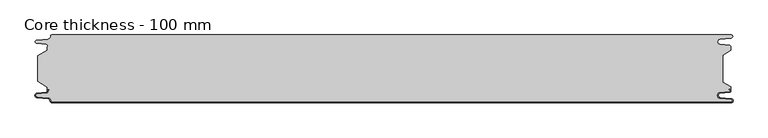
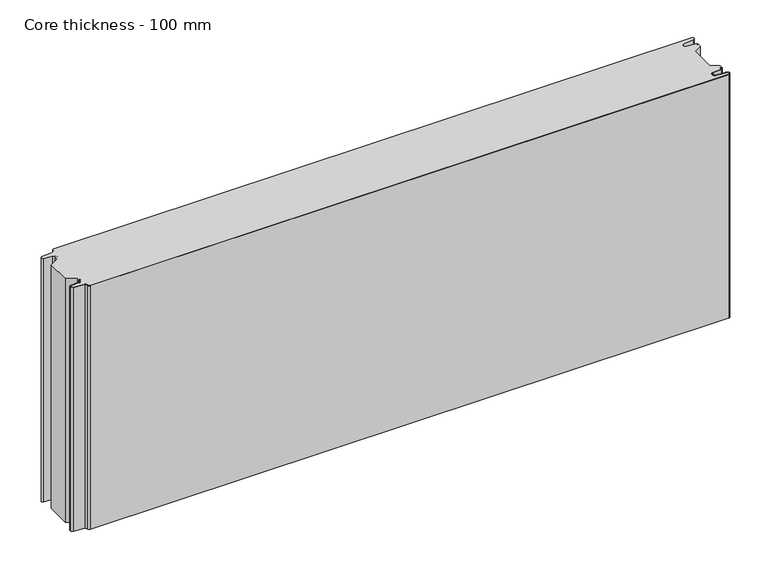
"""IFC4 building model written with IfcOpenShell, lengths in millimetres: plate geometry, Core thickness - 100 mm."""

import ifcopenshell
import ifcopenshell.guid

model = None  # the IFC model being written
_history = None  # IfcOwnerHistory: only IFC2X3 demands one
_inside = {}  # id of a spatial element -> (the spatial element, [elements in it])
_under = {}  # id of a project, library or spatial element -> (it, [spatial elements below it])
_declared = {}  # id of a project -> (the project, [libraries it declares])
_typed = {}  # id of a type object -> (the type object, [elements of that type])
_made_of = {}  # id of a material, layer set ... -> (it, [elements and type objects made of it])


def new_model(schema):
    """Start an empty IFC model of exactly this schema.

    Asked for "IFC4X3", IfcOpenShell would pick the latest addendum, in which some entities
    have other attributes; the version numbers below select the first issue.
    IFC2X3 requires an IfcOwnerHistory on every rooted entity: one is made here for all.
    """
    global model, _history
    if schema == "IFC4X3":
        model = ifcopenshell.file(schema_version=(4, 3, 0, 0))
    else:
        model = ifcopenshell.file(schema=schema)
    _inside.clear()
    _under.clear()
    _declared.clear()
    _typed.clear()
    _made_of.clear()
    _history = None
    if model.schema == "IFC2X3":
        org = make("IfcOrganization", Name="unknown")
        user = make(
            "IfcPersonAndOrganization",
            ThePerson=make("IfcPerson", FamilyName="unknown"),
            TheOrganization=org,
        )
        app = make(
            "IfcApplication",
            ApplicationDeveloper=org,
            Version="unknown",
            ApplicationFullName="unknown",
            ApplicationIdentifier="unknown",
        )
        _history = make(
            "IfcOwnerHistory",
            OwningUser=user,
            OwningApplication=app,
            ChangeAction="ADDED",
            CreationDate=0,
        )
    return model


def make(cls, **values):
    """One entity of the class cls with the attributes given. An attribute that is None is left unset."""
    return model.create_entity(
        cls, **{name: value for name, value in values.items() if value is not None}
    )


def rooted(cls, **values):
    """An entity with a GlobalId (a new one), such as an element, a storey or a relation."""
    return make(cls, GlobalId=ifcopenshell.guid.new(), OwnerHistory=_history, **values)


def si_unit(unit_type, name, prefix=None):
    """IfcSIUnit, for example si_unit("LENGTHUNIT", "METRE", prefix="MILLI")."""
    return make("IfcSIUnit", UnitType=unit_type, Prefix=prefix, Name=name)


def assignment(units):
    """IfcUnitAssignment: the units of a project."""
    return None if units is None else make("IfcUnitAssignment", Units=units)


def point(xyz):
    """IfcCartesianPoint."""
    return None if xyz is None else make("IfcCartesianPoint", Coordinates=xyz)


def direction(xyz):
    """IfcDirection."""
    return None if xyz is None else make("IfcDirection", DirectionRatios=xyz)


def frame(location, z_axis=None, x_axis=None):
    """IfcAxis2Placement3D, a coordinate frame: its origin and axes. An axis left out is left unset."""
    return make(
        "IfcAxis2Placement3D",
        Location=point(location),
        Axis=direction(z_axis),
        RefDirection=direction(x_axis),
    )


def origin():
    """The frame at (0, 0, 0) with its axes left unset."""
    return frame((0.0, 0.0, 0.0))


def place(relative_to, where):
    """IfcLocalPlacement: puts the frame where relative to a parent placement (None: the world)."""
    return make(
        "IfcLocalPlacement", PlacementRelTo=relative_to, RelativePlacement=where
    )


def context(
    kind, dimensions, precision=None, world=None, true_north=None, identifier=None
):
    """IfcGeometricRepresentationContext, for example the 3D "Model" context."""
    return make(
        "IfcGeometricRepresentationContext",
        ContextIdentifier=identifier,
        ContextType=kind,
        CoordinateSpaceDimension=dimensions,
        Precision=precision,
        WorldCoordinateSystem=world,
        TrueNorth=true_north,
    )


def project(units=None, contexts=None):
    """IfcProject with its units and contexts."""
    return rooted(
        "IfcProject",
        Name="project",
        RepresentationContexts=contexts,
        UnitsInContext=assignment(units),
    )


def spatial(cls, under=None, at=None, **own):
    """A site, building, storey or space (cls), placed at a placement, below another one or the project."""
    s = rooted(cls, ObjectPlacement=at, **own)
    if under is not None:
        _under.setdefault(under.id(), (under, []))[1].append(s)
    return s


def polyline(points):
    """IfcPolyline through the points."""
    return make("IfcPolyline", Points=[point(p) for p in points])


def circle_curve(where, radius):
    """IfcCircle in the frame where."""
    return make("IfcCircle", Position=where, Radius=radius)


def shape(context_of_items, identifier, shape_type, items):
    """IfcShapeRepresentation: the items that make up one representation, for example the "Body"."""
    return make(
        "IfcShapeRepresentation",
        ContextOfItems=context_of_items,
        RepresentationIdentifier=identifier,
        RepresentationType=shape_type,
        Items=items,
    )


def source(mapping_origin, context_of_items, identifier, shape_type, items):
    """IfcRepresentationMap: a shape defined once, which mapped items show again and again."""
    return make(
        "IfcRepresentationMap",
        MappingOrigin=mapping_origin,
        MappedRepresentation=shape(context_of_items, identifier, shape_type, items),
    )


def transform(
    local_origin,
    x_axis=None,
    y_axis=None,
    z_axis=None,
    scale=None,
    scale2=None,
    scale3=None,
    uniform=True,
):
    """IfcCartesianTransformationOperator3D, or its non-uniform kind. x_axis, y_axis, z_axis: its Axis1, 2, 3."""
    if uniform:
        return make(
            "IfcCartesianTransformationOperator3D",
            Axis1=direction(x_axis),
            Axis2=direction(y_axis),
            LocalOrigin=point(local_origin),
            Scale=scale,
            Axis3=direction(z_axis),
        )
    return make(
        "IfcCartesianTransformationOperator3DnonUniform",
        Axis1=direction(x_axis),
        Axis2=direction(y_axis),
        LocalOrigin=point(local_origin),
        Scale=scale,
        Axis3=direction(z_axis),
        Scale2=scale2,
        Scale3=scale3,
    )


def mapped(mapping_source, mapping_target):
    """IfcMappedItem: shows the shape of a source again, moved by a transform."""
    return make(
        "IfcMappedItem", MappingSource=mapping_source, MappingTarget=mapping_target
    )


def made_of(thing, what):
    """Note that an element or type object is made of a material, layer set ...; save() writes the relation."""
    if what is not None:
        _made_of.setdefault(what.id(), (what, []))[1].append(thing)
    return thing


def element(
    cls,
    number,
    at=None,
    inside=None,
    cuts=None,
    type_object=None,
    material=None,
    context=None,
    identifier="Body",
    shape_type=None,
    held_by="IfcProductDefinitionShape",
    body=None,
    shapes=None,
    **own,
):
    """One element of the class cls, such as IfcWall. Its Tag is "e" and its number.

    at: its placement. inside: the storey or other place that contains it. cuts: it is an
    opening in that element (IfcRelVoidsElement). A single representation is given by context,
    identifier, shape_type and body (its items); several are given by shapes. held_by: the class
    of the entity that holds the representations. save() writes the other relations.
    """
    e = rooted(cls, Tag="e%d" % number, ObjectPlacement=at, **own)
    if body is not None:
        shapes = [shape(context, identifier, shape_type, body)]
    if shapes is not None:
        e.Representation = make(held_by, Representations=shapes)
    if inside is not None:
        _inside.setdefault(inside.id(), (inside, []))[1].append(e)
    if cuts is not None:
        rooted(
            "IfcRelVoidsElement", RelatingBuildingElement=cuts, RelatedOpeningElement=e
        )
    if type_object is not None:
        _typed.setdefault(type_object.id(), (type_object, []))[1].append(e)
    return made_of(e, material)


def aggregate(whole, parts):
    """IfcRelAggregates: a whole, such as a stair, and the parts it consists of."""
    return rooted("IfcRelAggregates", RelatingObject=whole, RelatedObjects=parts)


def save(model, path):
    """Write the relations noted so far, then the file.

    IfcRelAggregates (storeys below a building ...), IfcRelContainedInSpatialStructure (elements
    in a storey), IfcRelDefinesByType, IfcRelAssociatesMaterial and IfcRelDeclares: one each for
    every whole, place, type object, material and project.
    """
    for whole, parts in _under.values():
        aggregate(whole, parts)
    for where, things in _inside.values():
        rooted(
            "IfcRelContainedInSpatialStructure",
            RelatedElements=things,
            RelatingStructure=where,
        )
    for kind, things in _typed.values():
        rooted("IfcRelDefinesByType", RelatedObjects=things, RelatingType=kind)
    for what, things in _made_of.values():
        rooted("IfcRelAssociatesMaterial", RelatedObjects=things, RelatingMaterial=what)
    for by, libraries in _declared.values():
        rooted("IfcRelDeclares", RelatingContext=by, RelatedDefinitions=libraries)
    model.write(path)


def plane_surface(at):
    """IfcPlane: the flat surface through the origin of the frame at, square to its z axis."""
    return make("IfcPlane", Position=at)


def cylinder_surface(at, radius):
    """IfcCylindricalSurface: all points at the distance radius from the z axis of the frame at."""
    return make("IfcCylindricalSurface", Position=at, Radius=radius)


def revolved_surface(curve, axis_point, axis_direction):
    """IfcSurfaceOfRevolution: the curve turned about the line through axis_point along axis_direction."""
    return make(
        "IfcSurfaceOfRevolution",
        SweptCurve=make("IfcArbitraryOpenProfileDef", ProfileType="CURVE", Curve=curve),
        AxisPosition=make("IfcAxis1Placement", Location=point(axis_point), Axis=direction(axis_direction)),
    )


def advanced_brep(points, edges, surfaces, faces):
    """IfcAdvancedBrep: a solid bounded by faces that lie on surfaces and meet in shared edges.

    An edge is (start, end): straight between two places in points (the first is 0);
    or (start, end, curve); or (start, end, curve, False) where it runs against its curve.
    A face is (place in surfaces, loops), or (place, loops, False) where it looks against
    its surface's normal. A loop lists edges by number (the first is 1), with a minus sign
    where the edge is run from its end to its start. The first loop is the outer one.
    """
    corners = [point(p) for p in points]
    vertices = [make("IfcVertexPoint", VertexGeometry=c) for c in corners]
    made = []
    for start, end, *more in edges:
        made.append(
            make(
                "IfcEdgeCurve",
                EdgeStart=vertices[start],
                EdgeEnd=vertices[end],
                EdgeGeometry=more[0] if more else make("IfcPolyline", Points=[corners[start], corners[end]]),
                SameSense=more[1] if len(more) > 1 else True,
            )
        )
    hull = []
    for where, loops, *sense in faces:
        bounds = []
        for j, loop in enumerate(loops):
            ring = [make("IfcOrientedEdge", EdgeElement=made[abs(k) - 1], Orientation=k > 0) for k in loop]
            bounds.append(
                make(
                    "IfcFaceOuterBound" if j == 0 else "IfcFaceBound",
                    Bound=make("IfcEdgeLoop", EdgeList=ring),
                    Orientation=True,
                )
            )
        hull.append(make("IfcAdvancedFace", Bounds=bounds, FaceSurface=surfaces[where], SameSense=sense[0] if sense else True))
    return make("IfcAdvancedBrep", Outer=make("IfcClosedShell", CfsFaces=hull))


def core_thickness_100_mm_7ea58272(model_context):
    return source(origin(), model_context, "Body", "AdvancedBrep", [
        advanced_brep(
        [(-474.8000005, -99.2, 0.0), (516.0099318, -99.2, 0.0), (516.2343725, -94.6106719, 0.0), (499.7391168, -92.9932979, 0.0), (496.3100818, -89.1776715, 0.0), (499.7391168, -85.3620451, 0.0), (513.8708371, -83.9764178, 0.0), (513.734221, -81.1830995, 0.0), (513.734221, -80.3830995, 0.0), (513.9489034, -84.7725998, 0.0), (499.8171831, -86.1582271, 0.0), (497.1101218, -89.1776715, 0.0), (499.8171831, -92.197116, 0.0), (516.3124388, -93.81449, 0.0), (516.0099318, -99.9996949, 0.0), (-474.8000005, -99.9996949, 0.0), (-477.9923633, -96.5787437, 0.0), (-480.2560432, -93.9171154, 0.0), (-497.2115316, -92.2546153, 0.0), (-500.0, -89.1776715, 0.0), (-497.2115316, -86.1007278, 0.0), (-483.6195786, -84.7680252, 0.0), (-481.9952279, -82.9766159, 0.0), (-481.9952279, -81.8996949, 0.0), (-480.5952279, -80.4996949, 0.0), (-479.4952279, -80.4996949, 0.0), (-479.4952279, -81.2996949, 0.0), (-480.5952279, -81.2996949, 0.0), (-481.1952279, -81.8996949, 0.0), (-481.1952279, -82.9766159, 0.0), (-483.5415123, -85.5642071, 0.0), (-497.1334653, -86.8969097, 0.0), (-499.1999998, -89.1776715, 0.0), (-497.1334653, -91.4584333, 0.0), (-480.1779769, -93.1209335, 0.0), (-477.2078763, -96.6330399, 0.0), (-474.8000005, -99.1996949, 400.0), (-477.1942726, -96.6339815, 400.0), (-480.1779769, -93.1209335, 400.0), (-497.1334653, -91.4584333, 400.0), (-499.1999998, -89.1776715, 400.0), (-497.1334653, -86.8969097, 400.0), (-483.5415123, -85.5642071, 400.0), (-481.1952279, -82.9766159, 400.0), (-481.1952279, -81.8996949, 400.0), (-480.5952279, -81.2996949, 400.0), (-479.4952279, -81.2996949, 400.0), (-479.4952279, -80.4996949, 400.0), (-480.5952279, -80.4996949, 400.0), (-481.9952279, -81.8996949, 400.0), (-481.9952279, -82.9766159, 400.0), (-483.6195786, -84.7680252, 400.0), (-497.2115316, -86.1007278, 400.0), (-500.0, -89.1776715, 400.0), (-497.2115316, -92.2546153, 400.0), (-480.2560432, -93.9171154, 400.0), (-478.005967, -96.5778021, 400.0), (-474.8000005, -99.9996949, 400.0), (516.0099318, -99.9996949, 400.0), (516.3124388, -93.81449, 400.0), (499.8171831, -92.197116, 400.0), (497.1101218, -89.1776715, 400.0), (499.8171831, -86.1582271, 400.0), (513.9489034, -84.7725998, 400.0), (513.734221, -80.3830995, 400.0), (513.734221, -81.1830995, 400.0), (513.8708371, -83.9764178, 400.0), (499.7391168, -85.3620451, 400.0), (496.3100818, -89.1776715, 400.0), (499.7391168, -92.9932979, 400.0), (516.2343725, -94.6106719, 400.0), (516.0099318, -99.1996949, 400.0)],
        [
            (0, 1),
            (1, 2, circle_curve(frame((516.0099318, -96.8996949, 0.0), z_axis=(0.0, 0.0, 1.0), x_axis=(1.0, 0.0, 0.0)), 2.3)),
            (2, 3),
            (3, 4, circle_curve(frame((500.1099318, -89.2114338, 0.0), z_axis=(0.0, 0.0, -1.0), x_axis=(1.0, 0.0, 0.0)), 3.8)),
            (4, 5, circle_curve(frame((500.1099318, -89.1439093, 0.0), z_axis=(0.0, 0.0, -1.0), x_axis=(1.0, 0.0, 0.0)), 3.8)),
            (5, 6),
            (6, 7, circle_curve(frame((513.734221, -82.5830995, 0.0), z_axis=(0.0, 0.0, 1.0), x_axis=(1.0, 0.0, 0.0)), 1.4)),
            (7, 8),
            (8, 9, circle_curve(frame((513.734221, -82.5830995, 0.0), z_axis=(0.0, 0.0, -1.0), x_axis=(1.0, 0.0, 0.0)), 2.2)),
            (9, 10),
            (10, 11, circle_curve(frame((500.1099318, -89.1439093, 0.0), z_axis=(0.0, 0.0, 1.0), x_axis=(1.0, 0.0, 0.0)), 3.0)),
            (11, 12, circle_curve(frame((500.1099318, -89.2114338, 0.0), z_axis=(0.0, 0.0, 1.0), x_axis=(1.0, 0.0, 0.0)), 3.0)),
            (12, 13),
            (13, 14, circle_curve(frame((516.0099318, -96.8996949, 0.0), z_axis=(0.0, 0.0, -1.0), x_axis=(1.0, 0.0, 0.0)), 3.1)),
            (14, 15),
            (15, 16, circle_curve(frame((-474.8000005, -96.7996949, 0.0), z_axis=(0.0, 0.0, -1.0), x_axis=(1.0, 0.0, 0.0)), 3.2)),
            (16, 17, circle_curve(frame((-480.5000005, -96.4051839, 0.0), z_axis=(0.0, 0.0, 1.0), x_axis=(1.0, 0.0, 0.0)), 2.5)),
            (17, 18),
            (18, 19, circle_curve(frame((-496.9100005, -89.1793626, 0.0), z_axis=(0.0, 0.0, -1.0), x_axis=(1.0, 0.0, 0.0)), 3.09)),
            (19, 20, circle_curve(frame((-496.9100005, -89.1759805, 0.0), z_axis=(0.0, 0.0, -1.0), x_axis=(1.0, 0.0, 0.0)), 3.09)),
            (20, 21),
            (21, 22, circle_curve(frame((-483.7952279, -82.9766159, 0.0), z_axis=(0.0, 0.0, 1.0), x_axis=(1.0, 0.0, 0.0)), 1.8)),
            (22, 23),
            (23, 24, circle_curve(frame((-480.5952279, -81.8996949, 0.0), z_axis=(0.0, 0.0, -1.0), x_axis=(1.0, 0.0, 0.0)), 1.4)),
            (24, 25),
            (25, 26),
            (26, 27),
            (27, 28, circle_curve(frame((-480.5952279, -81.8996949, 0.0), z_axis=(0.0, 0.0, 1.0), x_axis=(1.0, 0.0, 0.0)), 0.6)),
            (28, 29),
            (29, 30, circle_curve(frame((-483.7952279, -82.9766159, 0.0), z_axis=(0.0, 0.0, -1.0), x_axis=(1.0, 0.0, 0.0)), 2.6)),
            (30, 31),
            (31, 32, circle_curve(frame((-496.9100005, -89.1759805, 0.0), z_axis=(0.0, 0.0, 1.0), x_axis=(1.0, 0.0, 0.0)), 2.29)),
            (32, 33, circle_curve(frame((-496.9100005, -89.1793626, 0.0), z_axis=(0.0, 0.0, 1.0), x_axis=(1.0, 0.0, 0.0)), 2.29)),
            (33, 34),
            (34, 35, circle_curve(frame((-480.5000005, -96.4051839, 0.0), z_axis=(0.0, 0.0, -1.0), x_axis=(1.0, 0.0, 0.0)), 3.3)),
            (35, 0, circle_curve(frame((-474.8000005, -96.7996949, 0.0), z_axis=(0.0, 0.0, 1.0), x_axis=(1.0, 0.0, 0.0)), 2.4)),
            (36, 37, circle_curve(frame((-474.8000005, -96.7996949, 400.0), z_axis=(0.0, 0.0, -1.0), x_axis=(1.0, 0.0, 0.0)), 2.4)),
            (37, 38, circle_curve(frame((-480.5000005, -96.4051839, 400.0), z_axis=(0.0, 0.0, 1.0), x_axis=(1.0, 0.0, 0.0)), 3.3)),
            (38, 39),
            (39, 40, circle_curve(frame((-496.9100005, -89.1793626, 400.0), z_axis=(0.0, 0.0, -1.0), x_axis=(1.0, 0.0, 0.0)), 2.29)),
            (40, 41, circle_curve(frame((-496.9100005, -89.1759805, 400.0), z_axis=(0.0, 0.0, -1.0), x_axis=(1.0, 0.0, 0.0)), 2.29)),
            (41, 42),
            (42, 43, circle_curve(frame((-483.7952279, -82.9766159, 400.0), z_axis=(0.0, 0.0, 1.0), x_axis=(1.0, 0.0, 0.0)), 2.6)),
            (43, 44),
            (44, 45, circle_curve(frame((-480.5952279, -81.8996949, 400.0), z_axis=(0.0, 0.0, -1.0), x_axis=(1.0, 0.0, 0.0)), 0.6)),
            (45, 46),
            (46, 47),
            (47, 48),
            (48, 49, circle_curve(frame((-480.5952279, -81.8996949, 400.0), z_axis=(0.0, 0.0, 1.0), x_axis=(1.0, 0.0, 0.0)), 1.4)),
            (49, 50),
            (50, 51, circle_curve(frame((-483.7952279, -82.9766159, 400.0), z_axis=(0.0, 0.0, -1.0), x_axis=(1.0, 0.0, 0.0)), 1.8)),
            (51, 52),
            (52, 53, circle_curve(frame((-496.9100005, -89.1759805, 400.0), z_axis=(0.0, 0.0, 1.0), x_axis=(1.0, 0.0, 0.0)), 3.09)),
            (53, 54, circle_curve(frame((-496.9100005, -89.1793626, 400.0), z_axis=(0.0, 0.0, 1.0), x_axis=(1.0, 0.0, 0.0)), 3.09)),
            (54, 55),
            (55, 56, circle_curve(frame((-480.5000005, -96.4051839, 400.0), z_axis=(0.0, 0.0, -1.0), x_axis=(1.0, 0.0, 0.0)), 2.5)),
            (56, 57, circle_curve(frame((-474.8000005, -96.7996949, 400.0), z_axis=(0.0, 0.0, 1.0), x_axis=(1.0, 0.0, 0.0)), 3.2)),
            (57, 58),
            (58, 59, circle_curve(frame((516.0099318, -96.8996949, 400.0), z_axis=(0.0, 0.0, 1.0), x_axis=(1.0, 0.0, 0.0)), 3.1)),
            (59, 60),
            (60, 61, circle_curve(frame((500.1099318, -89.2114338, 400.0), z_axis=(0.0, 0.0, -1.0), x_axis=(1.0, 0.0, 0.0)), 3.0)),
            (61, 62, circle_curve(frame((500.1099318, -89.1439093, 400.0), z_axis=(0.0, 0.0, -1.0), x_axis=(1.0, 0.0, 0.0)), 3.0)),
            (62, 63),
            (63, 64, circle_curve(frame((513.734221, -82.5830995, 400.0), z_axis=(0.0, 0.0, 1.0), x_axis=(1.0, 0.0, 0.0)), 2.2)),
            (64, 65),
            (65, 66, circle_curve(frame((513.734221, -82.5830995, 400.0), z_axis=(0.0, 0.0, -1.0), x_axis=(1.0, 0.0, 0.0)), 1.4)),
            (66, 67),
            (67, 68, circle_curve(frame((500.1099318, -89.1439093, 400.0), z_axis=(0.0, 0.0, 1.0), x_axis=(1.0, 0.0, 0.0)), 3.8)),
            (68, 69, circle_curve(frame((500.1099318, -89.2114338, 400.0), z_axis=(0.0, 0.0, 1.0), x_axis=(1.0, 0.0, 0.0)), 3.8)),
            (69, 70),
            (70, 71, circle_curve(frame((516.0099318, -96.8996949, 400.0), z_axis=(0.0, 0.0, -1.0), x_axis=(1.0, 0.0, 0.0)), 2.3)),
            (71, 36),
            (0, 36),
            (71, 1),
            (35, 37),
            (34, 38),
            (33, 39),
            (32, 40),
            (31, 41),
            (30, 42),
            (29, 43),
            (28, 44),
            (27, 45),
            (26, 46),
            (25, 47),
            (24, 48),
            (23, 49),
            (22, 50),
            (21, 51),
            (20, 52),
            (19, 53),
            (18, 54),
            (17, 55),
            (16, 56),
            (15, 57),
            (14, 58),
            (13, 59),
            (12, 60),
            (11, 61),
            (10, 62),
            (9, 63),
            (8, 64),
            (7, 65),
            (6, 66),
            (5, 67),
            (4, 68),
            (3, 69),
            (2, 70),
        ],
        [
            plane_surface(frame((-500.0, -100.0, 0.0), z_axis=(0.0, 0.0, -1.0), x_axis=(0.0, 1.0, 0.0))),
            plane_surface(frame((-500.0, -100.0, 400.0), z_axis=(0.0, 0.0, 1.0), x_axis=(0.0, 1.0, 0.0))),
            plane_surface(frame((-474.8000005, -99.2, 0.0), z_axis=(0.0, 1.0, 0.0), x_axis=(0.0, 0.0, 1.0))),
            revolved_surface(polyline([(-472.40000050000003, -96.7996949, 400.0), (-472.40000050000003, -96.7996949, 0.0)]), (-474.8000005, -96.7996949, 0.0), (0.0, 0.0, 1.0)),
            cylinder_surface(frame((-480.5000005, -96.4051839, 0.0), z_axis=(0.0, 0.0, -1.0), x_axis=(1.0, 0.0, 0.0)), 3.3),
            plane_surface(frame((-497.1334653, -91.4584333, 0.0), z_axis=(0.09758289975914758, 0.9952273999818314, 0.0), x_axis=(0.0, 0.0, 1.0))),
            revolved_surface(polyline([(-494.6200005, -89.1793626, 400.0), (-494.6200005, -89.1793626, 0.0)]), (-496.9100005, -89.1793626, 0.0), (0.0, 0.0, 1.0)),
            revolved_surface(polyline([(-494.6200005, -89.1759805, 400.0), (-494.6200005, -89.1759805, 0.0)]), (-496.9100005, -89.1759805, 0.0), (0.0, 0.0, 1.0)),
            plane_surface(frame((-483.5415123, -85.5642071, 0.0), z_axis=(0.09758289975914383, -0.9952273999818317, 0.0), x_axis=(0.0, 0.0, 1.0))),
            cylinder_surface(frame((-483.7952279, -82.9766159, 0.0), z_axis=(0.0, 0.0, -1.0), x_axis=(1.0, 0.0, 0.0)), 2.6),
            plane_surface(frame((-481.1952279, -81.8996949, 0.0), z_axis=(1.0, 0.0, 0.0), x_axis=(0.0, 0.0, 1.0))),
            revolved_surface(polyline([(-479.9952279, -81.8996949, 400.0), (-479.9952279, -81.8996949, 0.0)]), (-480.5952279, -81.8996949, 0.0), (0.0, 0.0, 1.0)),
            plane_surface(frame((-479.4952279, -81.2996949, 0.0), z_axis=(0.0, -1.0, 0.0), x_axis=(0.0, 0.0, 1.0))),
            plane_surface(frame((-479.4952279, -80.4996949, 0.0), z_axis=(1.0, 0.0, 0.0), x_axis=(0.0, 0.0, 1.0))),
            plane_surface(frame((-480.5952279, -80.4996949, 0.0), z_axis=(0.0, 1.0, 0.0), x_axis=(0.0, 0.0, 1.0))),
            cylinder_surface(frame((-480.5952279, -81.8996949, 0.0), z_axis=(0.0, 0.0, -1.0), x_axis=(1.0, 0.0, 0.0)), 1.4),
            plane_surface(frame((-481.9952279, -82.9766159, 0.0), z_axis=(-1.0, 0.0, 0.0), x_axis=(0.0, 0.0, 1.0))),
            revolved_surface(polyline([(-481.9952279, -82.9766159, 400.0), (-481.9952279, -82.9766159, 0.0)]), (-483.7952279, -82.9766159, 0.0), (0.0, 0.0, 1.0)),
            plane_surface(frame((-497.2115316, -86.1007278, 0.0), z_axis=(-0.09758289975914387, 0.9952273999818317, 0.0), x_axis=(0.0, 0.0, 1.0))),
            cylinder_surface(frame((-496.9100005, -89.1759805, 0.0), z_axis=(0.0, 0.0, -1.0), x_axis=(1.0, 0.0, 0.0)), 3.09),
            cylinder_surface(frame((-496.9100005, -89.1793626, 0.0), z_axis=(0.0, 0.0, -1.0), x_axis=(1.0, 0.0, 0.0)), 3.09),
            plane_surface(frame((-480.2560432, -93.9171154, 0.0), z_axis=(-0.09758289975914762, -0.9952273999818314, 0.0), x_axis=(0.0, 0.0, 1.0))),
            revolved_surface(polyline([(-478.0000005, -96.4051839, 400.0), (-478.0000005, -96.4051839, 0.0)]), (-480.5000005, -96.4051839, 0.0), (0.0, 0.0, 1.0)),
            cylinder_surface(frame((-474.8000005, -96.7996949, 0.0), z_axis=(0.0, 0.0, -1.0), x_axis=(1.0, 0.0, 0.0)), 3.2),
            plane_surface(frame((516.0099318, -99.9996949, 0.0), z_axis=(0.0, -1.0, 0.0), x_axis=(0.0, 0.0, 1.0))),
            cylinder_surface(frame((516.0099318, -96.8996949, 0.0), z_axis=(0.0, 0.0, -1.0), x_axis=(1.0, 0.0, 0.0)), 3.1),
            plane_surface(frame((499.8171831, -92.197116, 0.0), z_axis=(0.09758289975915109, 0.9952273999818311, 0.0), x_axis=(0.0, 0.0, 1.0))),
            revolved_surface(polyline([(503.1099318, -89.2114338, 400.0), (503.1099318, -89.2114338, 0.0)]), (500.1099318, -89.2114338, 0.0), (0.0, 0.0, 1.0)),
            revolved_surface(polyline([(503.1099318, -89.1439093, 400.0), (503.1099318, -89.1439093, 0.0)]), (500.1099318, -89.1439093, 0.0), (0.0, 0.0, 1.0)),
            plane_surface(frame((513.9489034, -84.7725998, 0.0), z_axis=(0.09758289975916205, -0.99522739998183, 0.0), x_axis=(0.0, 0.0, 1.0))),
            cylinder_surface(frame((513.734221, -82.5830995, 0.0), z_axis=(0.0, 0.0, -1.0), x_axis=(1.0, 0.0, 0.0)), 2.2),
            plane_surface(frame((513.734221, -81.1830995, 0.0), z_axis=(-1.0, 0.0, 0.0), x_axis=(0.0, 0.0, 1.0))),
            revolved_surface(polyline([(515.134221, -82.5830995, 400.0), (515.134221, -82.5830995, 0.0)]), (513.734221, -82.5830995, 0.0), (0.0, 0.0, 1.0)),
            plane_surface(frame((499.7391168, -85.3620451, 0.0), z_axis=(-0.0975828997591621, 0.9952273999818301, 0.0), x_axis=(0.0, 0.0, 1.0))),
            cylinder_surface(frame((500.1099318, -89.1439093, 0.0), z_axis=(0.0, 0.0, -1.0), x_axis=(1.0, 0.0, 0.0)), 3.8),
            cylinder_surface(frame((500.1099318, -89.2114338, 0.0), z_axis=(0.0, 0.0, -1.0), x_axis=(1.0, 0.0, 0.0)), 3.8),
            plane_surface(frame((516.2343725, -94.6106719, 0.0), z_axis=(-0.09758289975915109, -0.9952273999818311, 0.0), x_axis=(0.0, 0.0, 1.0))),
            revolved_surface(polyline([(518.3099318, -96.8996949, 400.0), (518.3099318, -96.8996949, 0.0)]), (516.0099318, -96.8996949, 0.0), (0.0, 0.0, 1.0)),
        ],
        [
            (0, [[1, 2, 3, 4, 5, 6, 7, 8, 9, 10, 11, 12, 13, 14, 15, 16, 17, 18, 19, 20, 21, 22, 23, 24, 25, 26, 27, 28, 29, 30, 31, 32, 33, 34, 35, 36]]),
            (1, [[37, 38, 39, 40, 41, 42, 43, 44, 45, 46, 47, 48, 49, 50, 51, 52, 53, 54, 55, 56, 57, 58, 59, 60, 61, 62, 63, 64, 65, 66, 67, 68, 69, 70, 71, 72]]),
            (2, [[-1, 73, -72, 74]]),
            (3, [[-36, 75, -37, -73]]),
            (4, [[-35, 76, -38, -75]]),
            (5, [[-34, 77, -39, -76]]),
            (6, [[-33, 78, -40, -77]]),
            (7, [[-32, 79, -41, -78]]),
            (8, [[-31, 80, -42, -79]]),
            (9, [[-30, 81, -43, -80]]),
            (10, [[-29, 82, -44, -81]]),
            (11, [[-28, 83, -45, -82]]),
            (12, [[-27, 84, -46, -83]]),
            (13, [[-26, 85, -47, -84]]),
            (14, [[-25, 86, -48, -85]]),
            (15, [[-24, 87, -49, -86]]),
            (16, [[-23, 88, -50, -87]]),
            (17, [[-22, 89, -51, -88]]),
            (18, [[-21, 90, -52, -89]]),
            (19, [[-20, 91, -53, -90]]),
            (20, [[-19, 92, -54, -91]]),
            (21, [[-18, 93, -55, -92]]),
            (22, [[-17, 94, -56, -93]]),
            (23, [[-16, 95, -57, -94]]),
            (24, [[-15, 96, -58, -95]]),
            (25, [[-14, 97, -59, -96]]),
            (26, [[-13, 98, -60, -97]]),
            (27, [[-12, 99, -61, -98]]),
            (28, [[-11, 100, -62, -99]]),
            (29, [[-10, 101, -63, -100]]),
            (30, [[-9, 102, -64, -101]]),
            (31, [[-8, 103, -65, -102]]),
            (32, [[-7, 104, -66, -103]]),
            (33, [[-6, 105, -67, -104]]),
            (34, [[-5, 106, -68, -105]]),
            (35, [[-4, 107, -69, -106]]),
            (36, [[-3, 108, -70, -107]]),
            (37, [[-2, -74, -71, -108]]),
        ],
    ),
        advanced_brep(
        [(503.9582319, -69.873448, 400.0), (503.9582319, -30.126552, 400.0), (515.934221, -23.4071318, 400.0), (515.934221, -17.4169005, 400.0), (513.734221, -19.6169005, 400.0), (513.734221, -18.8169005, 400.0), (513.8708371, -16.0235822, 400.0), (499.7391168, -14.6379549, 400.0), (496.3100818, -10.8223285, 400.0), (499.7391168, -7.0067021, 400.0), (516.2343725, -5.3893281, 400.0), (516.0099318, -0.8003051, 400.0), (-474.8000005, -0.8, 400.0), (-477.1942726, -3.3660185, 400.0), (-480.1779769, -6.8790665, 400.0), (-497.1334653, -8.5415667, 400.0), (-499.1999998, -10.8223285, 400.0), (-497.1334653, -13.1030903, 400.0), (-483.5415123, -14.4357929, 400.0), (-481.1952279, -17.0233841, 400.0), (-481.1952279, -18.1003051, 400.0), (-480.5952279, -18.7003051, 400.0), (-479.4952279, -18.7003051, 400.0), (-479.4952279, -19.5003051, 400.0), (-480.5952279, -19.5003051, 400.0), (-481.9952279, -18.1003051, 400.0), (-481.9952279, -19.5003051, 400.0), (-481.9952279, -23.1062917, 400.0), (-496.044651, -31.1628062, 400.0), (-496.044651, -68.7531937, 400.0), (-481.9952279, -76.8937083, 400.0), (-481.9952279, -80.4996949, 400.0), (-481.9952279, -81.8996949, 400.0), (-480.5952279, -80.4996949, 400.0), (-479.4952279, -80.4996949, 400.0), (-479.4952279, -81.2996949, 400.0), (-480.5952279, -81.2996949, 400.0), (-481.1952279, -81.8996949, 400.0), (-481.1952279, -82.9766159, 400.0), (-483.5415123, -85.5642071, 400.0), (-497.1334653, -86.8969097, 400.0), (-499.1999998, -89.1776715, 400.0), (-497.1334653, -91.4584333, 400.0), (-480.1779769, -93.1209335, 400.0), (-477.2078763, -96.6330399, 400.0), (-474.8000005, -99.1996949, 400.0), (516.0099318, -99.2, 400.0), (516.2343725, -94.6106719, 400.0), (499.7391168, -92.9932979, 400.0), (496.3100818, -89.1776715, 400.0), (499.7391168, -85.3620451, 400.0), (513.8708371, -83.9764178, 400.0), (513.734221, -81.1830995, 400.0), (513.734221, -80.3830995, 400.0), (515.934221, -82.5830995, 400.0), (515.934221, -76.5928682, 400.0), (-481.9952279, -76.8937083, 0.0), (-496.044651, -68.7531937, 0.0), (-496.044651, -31.1628062, 0.0), (-481.9952279, -23.1062917, 0.0), (-481.9952279, -19.5003051, 0.0), (-481.9952279, -18.1003051, 0.0), (-480.5952279, -19.5003051, 0.0), (-479.4952279, -19.5003051, 0.0), (-479.4952279, -18.7003051, 0.0), (-480.5952279, -18.7003051, 0.0), (-481.1952279, -18.1003051, 0.0), (-481.1952279, -17.0233841, 0.0), (-483.5415123, -14.4357929, 0.0), (-497.1334653, -13.1030903, 0.0), (-499.1999998, -10.8223285, 0.0), (-497.1334653, -8.5415667, 0.0), (-480.1779769, -6.8790665, 0.0), (-477.2078763, -3.3669601, 0.0), (-474.8000005, -0.8003051, 0.0), (516.0099318, -0.8, 0.0), (516.2343725, -5.3893281, 0.0), (499.7391168, -7.0067021, 0.0), (496.3100818, -10.8223285, 0.0), (499.7391168, -14.6379549, 0.0), (513.8708371, -16.0235822, 0.0), (513.734221, -18.8169005, 0.0), (513.734221, -19.6169005, 0.0), (515.934221, -17.4169005, 0.0), (515.934221, -23.4071318, 0.0), (503.9582319, -30.126552, 0.0), (503.9582319, -69.873448, 0.0), (515.934221, -76.5928682, 0.0), (515.934221, -82.5830995, 0.0), (513.734221, -80.3830995, 0.0), (513.734221, -81.1830995, 0.0), (513.8708371, -83.9764178, 0.0), (499.7391168, -85.3620451, 0.0), (496.3100818, -89.1776715, 0.0), (499.7391168, -92.9932979, 0.0), (516.2343725, -94.6106719, 0.0), (516.0099318, -99.1996949, 0.0), (-474.8000005, -99.2, 0.0), (-477.1942726, -96.6339815, 0.0), (-480.1779769, -93.1209335, 0.0), (-497.1334653, -91.4584333, 0.0), (-499.1999998, -89.1776715, 0.0), (-497.1334653, -86.8969097, 0.0), (-483.5415123, -85.5642071, 0.0), (-481.1952279, -82.9766159, 0.0), (-481.1952279, -81.8996949, 0.0), (-480.5952279, -81.2996949, 0.0), (-479.4952279, -81.2996949, 0.0), (-479.4952279, -80.4996949, 0.0), (-480.5952279, -80.4996949, 0.0), (-481.9952279, -81.8996949, 0.0), (-481.9952279, -80.4996949, 0.0)],
        [
            (0, 1),
            (1, 2),
            (2, 3),
            (3, 4, circle_curve(frame((513.734221, -17.4169005, 400.0), z_axis=(0.0, 0.0, -1.0), x_axis=(1.0, 0.0, 0.0)), 2.2)),
            (4, 5),
            (5, 6, circle_curve(frame((513.734221, -17.4169005, 400.0), z_axis=(0.0, 0.0, 1.0), x_axis=(1.0, 0.0, 0.0)), 1.4)),
            (6, 7),
            (7, 8, circle_curve(frame((500.1099318, -10.8560907, 400.0), z_axis=(0.0, 0.0, -1.0), x_axis=(1.0, 0.0, 0.0)), 3.8)),
            (8, 9, circle_curve(frame((500.1099318, -10.7885662, 400.0), z_axis=(0.0, 0.0, -1.0), x_axis=(1.0, 0.0, 0.0)), 3.8)),
            (9, 10),
            (10, 11, circle_curve(frame((516.0099318, -3.1003051, 400.0), z_axis=(0.0, 0.0, 1.0), x_axis=(1.0, 0.0, 0.0)), 2.3)),
            (11, 12),
            (12, 13, circle_curve(frame((-474.8000005, -3.2003051, 400.0), z_axis=(0.0, 0.0, 1.0), x_axis=(1.0, 0.0, 0.0)), 2.4)),
            (13, 14, circle_curve(frame((-480.5000005, -3.5948161, 400.0), z_axis=(0.0, 0.0, -1.0), x_axis=(1.0, 0.0, 0.0)), 3.3)),
            (14, 15),
            (15, 16, circle_curve(frame((-496.9100005, -10.8206374, 400.0), z_axis=(0.0, 0.0, 1.0), x_axis=(1.0, 0.0, 0.0)), 2.29)),
            (16, 17, circle_curve(frame((-496.9100005, -10.8240195, 400.0), z_axis=(0.0, 0.0, 1.0), x_axis=(1.0, 0.0, 0.0)), 2.29)),
            (17, 18),
            (18, 19, circle_curve(frame((-483.7952279, -17.0233841, 400.0), z_axis=(0.0, 0.0, -1.0), x_axis=(1.0, 0.0, 0.0)), 2.6)),
            (19, 20),
            (20, 21, circle_curve(frame((-480.5952279, -18.1003051, 400.0), z_axis=(0.0, 0.0, 1.0), x_axis=(1.0, 0.0, 0.0)), 0.6)),
            (21, 22),
            (22, 23),
            (23, 24),
            (24, 25, circle_curve(frame((-480.5952279, -18.1003051, 400.0), z_axis=(0.0, 0.0, -1.0), x_axis=(1.0, 0.0, 0.0)), 1.4)),
            (25, 26),
            (26, 27),
            (27, 28),
            (28, 29),
            (29, 30),
            (30, 31),
            (31, 32),
            (32, 33, circle_curve(frame((-480.5952279, -81.8996949, 400.0), z_axis=(0.0, 0.0, -1.0), x_axis=(1.0, 0.0, 0.0)), 1.4)),
            (33, 34),
            (34, 35),
            (35, 36),
            (36, 37, circle_curve(frame((-480.5952279, -81.8996949, 400.0), z_axis=(0.0, 0.0, 1.0), x_axis=(1.0, 0.0, 0.0)), 0.6)),
            (37, 38),
            (38, 39, circle_curve(frame((-483.7952279, -82.9766159, 400.0), z_axis=(0.0, 0.0, -1.0), x_axis=(1.0, 0.0, 0.0)), 2.6)),
            (39, 40),
            (40, 41, circle_curve(frame((-496.9100005, -89.1759805, 400.0), z_axis=(0.0, 0.0, 1.0), x_axis=(1.0, 0.0, 0.0)), 2.29)),
            (41, 42, circle_curve(frame((-496.9100005, -89.1793626, 400.0), z_axis=(0.0, 0.0, 1.0), x_axis=(1.0, 0.0, 0.0)), 2.29)),
            (42, 43),
            (43, 44, circle_curve(frame((-480.5000005, -96.4051839, 400.0), z_axis=(0.0, 0.0, -1.0), x_axis=(1.0, 0.0, 0.0)), 3.3)),
            (44, 45, circle_curve(frame((-474.8000005, -96.7996949, 400.0), z_axis=(0.0, 0.0, 1.0), x_axis=(1.0, 0.0, 0.0)), 2.4)),
            (45, 46),
            (46, 47, circle_curve(frame((516.0099318, -96.8996949, 400.0), z_axis=(0.0, 0.0, 1.0), x_axis=(1.0, 0.0, 0.0)), 2.3)),
            (47, 48),
            (48, 49, circle_curve(frame((500.1099318, -89.2114338, 400.0), z_axis=(0.0, 0.0, -1.0), x_axis=(1.0, 0.0, 0.0)), 3.8)),
            (49, 50, circle_curve(frame((500.1099318, -89.1439093, 400.0), z_axis=(0.0, 0.0, -1.0), x_axis=(1.0, 0.0, 0.0)), 3.8)),
            (50, 51),
            (51, 52, circle_curve(frame((513.734221, -82.5830995, 400.0), z_axis=(0.0, 0.0, 1.0), x_axis=(1.0, 0.0, 0.0)), 1.4)),
            (52, 53),
            (53, 54, circle_curve(frame((513.734221, -82.5830995, 400.0), z_axis=(0.0, 0.0, -1.0), x_axis=(1.0, 0.0, 0.0)), 2.2)),
            (54, 55),
            (55, 0),
            (56, 57),
            (57, 58),
            (58, 59),
            (59, 60),
            (60, 61),
            (61, 62, circle_curve(frame((-480.5952279, -18.1003051, 0.0), z_axis=(0.0, 0.0, 1.0), x_axis=(1.0, 0.0, 0.0)), 1.4)),
            (62, 63),
            (63, 64),
            (64, 65),
            (65, 66, circle_curve(frame((-480.5952279, -18.1003051, 0.0), z_axis=(0.0, 0.0, -1.0), x_axis=(1.0, 0.0, 0.0)), 0.6)),
            (66, 67),
            (67, 68, circle_curve(frame((-483.7952279, -17.0233841, 0.0), z_axis=(0.0, 0.0, 1.0), x_axis=(1.0, 0.0, 0.0)), 2.6)),
            (68, 69),
            (69, 70, circle_curve(frame((-496.9100005, -10.8240195, 0.0), z_axis=(0.0, 0.0, -1.0), x_axis=(1.0, 0.0, 0.0)), 2.29)),
            (70, 71, circle_curve(frame((-496.9100005, -10.8206374, 0.0), z_axis=(0.0, 0.0, -1.0), x_axis=(1.0, 0.0, 0.0)), 2.29)),
            (71, 72),
            (72, 73, circle_curve(frame((-480.5000005, -3.5948161, 0.0), z_axis=(0.0, 0.0, 1.0), x_axis=(1.0, 0.0, 0.0)), 3.3)),
            (73, 74, circle_curve(frame((-474.8000005, -3.2003051, 0.0), z_axis=(0.0, 0.0, -1.0), x_axis=(1.0, 0.0, 0.0)), 2.4)),
            (74, 75),
            (75, 76, circle_curve(frame((516.0099318, -3.1003051, 0.0), z_axis=(0.0, 0.0, -1.0), x_axis=(1.0, 0.0, 0.0)), 2.3)),
            (76, 77),
            (77, 78, circle_curve(frame((500.1099318, -10.7885662, 0.0), z_axis=(0.0, 0.0, 1.0), x_axis=(1.0, 0.0, 0.0)), 3.8)),
            (78, 79, circle_curve(frame((500.1099318, -10.8560907, 0.0), z_axis=(0.0, 0.0, 1.0), x_axis=(1.0, 0.0, 0.0)), 3.8)),
            (79, 80),
            (80, 81, circle_curve(frame((513.734221, -17.4169005, 0.0), z_axis=(0.0, 0.0, -1.0), x_axis=(1.0, 0.0, 0.0)), 1.4)),
            (81, 82),
            (82, 83, circle_curve(frame((513.734221, -17.4169005, 0.0), z_axis=(0.0, 0.0, 1.0), x_axis=(1.0, 0.0, 0.0)), 2.2)),
            (83, 84),
            (84, 85),
            (85, 86),
            (86, 87),
            (87, 88),
            (88, 89, circle_curve(frame((513.734221, -82.5830995, 0.0), z_axis=(0.0, 0.0, 1.0), x_axis=(1.0, 0.0, 0.0)), 2.2)),
            (89, 90),
            (90, 91, circle_curve(frame((513.734221, -82.5830995, 0.0), z_axis=(0.0, 0.0, -1.0), x_axis=(1.0, 0.0, 0.0)), 1.4)),
            (91, 92),
            (92, 93, circle_curve(frame((500.1099318, -89.1439093, 0.0), z_axis=(0.0, 0.0, 1.0), x_axis=(1.0, 0.0, 0.0)), 3.8)),
            (93, 94, circle_curve(frame((500.1099318, -89.2114338, 0.0), z_axis=(0.0, 0.0, 1.0), x_axis=(1.0, 0.0, 0.0)), 3.8)),
            (94, 95),
            (95, 96, circle_curve(frame((516.0099318, -96.8996949, 0.0), z_axis=(0.0, 0.0, -1.0), x_axis=(1.0, 0.0, 0.0)), 2.3)),
            (96, 97),
            (97, 98, circle_curve(frame((-474.8000005, -96.7996949, 0.0), z_axis=(0.0, 0.0, -1.0), x_axis=(1.0, 0.0, 0.0)), 2.4)),
            (98, 99, circle_curve(frame((-480.5000005, -96.4051839, 0.0), z_axis=(0.0, 0.0, 1.0), x_axis=(1.0, 0.0, 0.0)), 3.3)),
            (99, 100),
            (100, 101, circle_curve(frame((-496.9100005, -89.1793626, 0.0), z_axis=(0.0, 0.0, -1.0), x_axis=(1.0, 0.0, 0.0)), 2.29)),
            (101, 102, circle_curve(frame((-496.9100005, -89.1759805, 0.0), z_axis=(0.0, 0.0, -1.0), x_axis=(1.0, 0.0, 0.0)), 2.29)),
            (102, 103),
            (103, 104, circle_curve(frame((-483.7952279, -82.9766159, 0.0), z_axis=(0.0, 0.0, 1.0), x_axis=(1.0, 0.0, 0.0)), 2.6)),
            (104, 105),
            (105, 106, circle_curve(frame((-480.5952279, -81.8996949, 0.0), z_axis=(0.0, 0.0, -1.0), x_axis=(1.0, 0.0, 0.0)), 0.6)),
            (106, 107),
            (107, 108),
            (108, 109),
            (109, 110, circle_curve(frame((-480.5952279, -81.8996949, 0.0), z_axis=(0.0, 0.0, 1.0), x_axis=(1.0, 0.0, 0.0)), 1.4)),
            (110, 111),
            (111, 56),
            (0, 86),
            (85, 1),
            (59, 27),
            (25, 61),
            (28, 58),
            (57, 29),
            (55, 87),
            (84, 2),
            (56, 30),
            (110, 32),
            (83, 3),
            (54, 88),
            (53, 89),
            (52, 90),
            (51, 91),
            (50, 92),
            (49, 93),
            (48, 94),
            (47, 95),
            (46, 96),
            (45, 97),
            (44, 98),
            (43, 99),
            (42, 100),
            (41, 101),
            (40, 102),
            (39, 103),
            (38, 104),
            (37, 105),
            (36, 106),
            (35, 107),
            (34, 108),
            (33, 109),
            (24, 62),
            (23, 63),
            (22, 64),
            (21, 65),
            (20, 66),
            (19, 67),
            (18, 68),
            (17, 69),
            (16, 70),
            (15, 71),
            (14, 72),
            (13, 73),
            (12, 74),
            (11, 75),
            (10, 76),
            (9, 77),
            (8, 78),
            (7, 79),
            (6, 80),
            (5, 81),
            (4, 82),
        ],
        [
            plane_surface(frame((-500.0, 0.0, 400.0), z_axis=(0.0, 0.0, 1.0), x_axis=(0.0, -1.0, 0.0))),
            plane_surface(frame((-500.0, 0.0, 0.0), z_axis=(0.0, 0.0, -1.0), x_axis=(0.0, -1.0, 0.0))),
            plane_surface(frame((503.9582319, -69.873448, 400.0), z_axis=(1.0, 0.0, 0.0), x_axis=(0.0, 0.0, -1.0))),
            plane_surface(frame((-481.9952279, -17.0229218, 400.0), z_axis=(-1.0, 0.0, 0.0), x_axis=(0.0, 0.0, -1.0))),
            plane_surface(frame((-496.044651, -31.1628062, 400.0), z_axis=(-1.0, 0.0, 0.0), x_axis=(0.0, 0.0, -1.0))),
            plane_surface(frame((516.3372986, -76.8190247, 400.0), z_axis=(0.4893164649399637, 0.8721062992196864, 0.0), x_axis=(0.0, 0.0, -1.0))),
            plane_surface(frame((503.9582319, -30.126552, 400.0), z_axis=(0.4893164649399687, -0.8721062992196836, 0.0), x_axis=(0.0, 0.0, -1.0))),
            plane_surface(frame((-481.9952279, -23.1062917, 400.0), z_axis=(-0.4974543664933155, 0.8674901459133322, 0.0), x_axis=(0.0, 0.0, -1.0))),
            plane_surface(frame((-496.044651, -68.7531937, 400.0), z_axis=(-0.5013424225369604, -0.8652489672717166, 0.0), x_axis=(0.0, 0.0, -1.0))),
            plane_surface(frame((-481.9952279, -76.8937083, 400.0), z_axis=(-1.0, 0.0, 0.0), x_axis=(0.0, 0.0, -1.0))),
            plane_surface(frame((515.934221, -82.5830995, 0.0), z_axis=(1.0, 0.0, 0.0), x_axis=(0.0, 0.0, 1.0))),
            revolved_surface(polyline([(515.9342210000001, -82.5830995, 400.0), (515.9342210000001, -82.5830995, 0.0)]), (513.734221, -82.5830995, 530.0), (0.0, 0.0, 1.0)),
            plane_surface(frame((513.734221, -80.3830995, 530.0), z_axis=(1.0, 0.0, 0.0), x_axis=(0.0, 0.0, -1.0))),
            cylinder_surface(frame((513.734221, -82.5830995, 530.0), z_axis=(0.0, 0.0, -1.0), x_axis=(1.0, 0.0, 0.0)), 1.4),
            plane_surface(frame((513.8708371, -83.9764178, 530.0), z_axis=(0.0975828997591621, -0.9952273999818301, 0.0), x_axis=(0.0, 0.0, -1.0))),
            revolved_surface(polyline([(503.90993180000004, -89.1439093, 400.0), (503.90993180000004, -89.1439093, 0.0)]), (500.1099318, -89.1439093, 530.0), (0.0, 0.0, 1.0)),
            revolved_surface(polyline([(503.90993180000004, -89.2114338, 400.0), (503.90993180000004, -89.2114338, 0.0)]), (500.1099318, -89.2114338, 530.0), (0.0, 0.0, 1.0)),
            plane_surface(frame((499.7391168, -92.9932979, 530.0), z_axis=(0.09758289975915109, 0.9952273999818311, 0.0), x_axis=(0.0, 0.0, -1.0))),
            cylinder_surface(frame((516.0099318, -96.8996949, 530.0), z_axis=(0.0, 0.0, -1.0), x_axis=(1.0, 0.0, 0.0)), 2.3),
            plane_surface(frame((516.0099318, -99.2, 530.0), z_axis=(0.0, -1.0, 0.0), x_axis=(0.0, 0.0, -1.0))),
            cylinder_surface(frame((-474.8000005, -96.7996949, 530.0), z_axis=(0.0, 0.0, -1.0), x_axis=(1.0, 0.0, 0.0)), 2.4),
            revolved_surface(polyline([(-477.2000005, -96.4051839, 400.0), (-477.2000005, -96.4051839, 0.0)]), (-480.5000005, -96.4051839, 530.0), (0.0, 0.0, 1.0)),
            plane_surface(frame((-480.1779769, -93.1209335, 530.0), z_axis=(-0.09758289975914758, -0.9952273999818314, 0.0), x_axis=(0.0, 0.0, -1.0))),
            cylinder_surface(frame((-496.9100005, -89.1793626, 530.0), z_axis=(0.0, 0.0, -1.0), x_axis=(1.0, 0.0, 0.0)), 2.29),
            cylinder_surface(frame((-496.9100005, -89.1759805, 530.0), z_axis=(0.0, 0.0, -1.0), x_axis=(1.0, 0.0, 0.0)), 2.29),
            plane_surface(frame((-497.1334653, -86.8969097, 530.0), z_axis=(-0.09758289975914383, 0.9952273999818317, 0.0), x_axis=(0.0, 0.0, -1.0))),
            revolved_surface(polyline([(-481.19522789999996, -82.9766159, 400.0), (-481.19522789999996, -82.9766159, 0.0)]), (-483.7952279, -82.9766159, 530.0), (0.0, 0.0, 1.0)),
            plane_surface(frame((-481.1952279, -82.9766159, 530.0), z_axis=(-1.0, 0.0, 0.0), x_axis=(0.0, 0.0, -1.0))),
            cylinder_surface(frame((-480.5952279, -81.8996949, 530.0), z_axis=(0.0, 0.0, -1.0), x_axis=(1.0, 0.0, 0.0)), 0.6),
            plane_surface(frame((-480.5952279, -81.2996949, 530.0), z_axis=(0.0, 1.0, 0.0), x_axis=(0.0, 0.0, -1.0))),
            plane_surface(frame((-479.4952279, -81.2996949, 530.0), z_axis=(-1.0, 0.0, 0.0), x_axis=(0.0, 0.0, -1.0))),
            plane_surface(frame((-479.4952279, -80.4996949, 530.0), z_axis=(0.0, -1.0, 0.0), x_axis=(0.0, 0.0, -1.0))),
            revolved_surface(polyline([(-479.1952279, -81.8996949, 400.0), (-479.1952279, -81.8996949, 0.0)]), (-480.5952279, -81.8996949, 530.0), (0.0, 0.0, 1.0)),
            revolved_surface(polyline([(-479.1952279, -18.1003051, 400.0), (-479.1952279, -18.1003051, 0.0)]), (-480.5952279, -18.1003051, 530.0), (0.0, 0.0, 1.0)),
            plane_surface(frame((-480.5952279, -19.5003051, 530.0), z_axis=(0.0, 1.0, 0.0), x_axis=(0.0, 0.0, -1.0))),
            plane_surface(frame((-479.4952279, -19.5003051, 530.0), z_axis=(-1.0, 0.0, 0.0), x_axis=(0.0, 0.0, -1.0))),
            plane_surface(frame((-479.4952279, -18.7003051, 530.0), z_axis=(0.0, -1.0, 0.0), x_axis=(0.0, 0.0, -1.0))),
            cylinder_surface(frame((-480.5952279, -18.1003051, 530.0), z_axis=(0.0, 0.0, -1.0), x_axis=(1.0, 0.0, 0.0)), 0.6),
            plane_surface(frame((-481.1952279, -18.1003051, 530.0), z_axis=(-1.0, 0.0, 0.0), x_axis=(0.0, 0.0, -1.0))),
            revolved_surface(polyline([(-481.19522789999996, -17.0233841, 400.0), (-481.19522789999996, -17.0233841, 0.0)]), (-483.7952279, -17.0233841, 530.0), (0.0, 0.0, 1.0)),
            plane_surface(frame((-483.5415123, -14.4357929, 530.0), z_axis=(-0.09758289975914705, -0.9952273999818314, 0.0), x_axis=(0.0, 0.0, -1.0))),
            cylinder_surface(frame((-496.9100005, -10.8240195, 530.0), z_axis=(0.0, 0.0, -1.0), x_axis=(1.0, 0.0, 0.0)), 2.29),
            cylinder_surface(frame((-496.9100005, -10.8206374, 530.0), z_axis=(0.0, 0.0, -1.0), x_axis=(1.0, 0.0, 0.0)), 2.29),
            plane_surface(frame((-497.1334653, -8.5415667, 530.0), z_axis=(-0.09758289975914436, 0.9952273999818317, 0.0), x_axis=(0.0, 0.0, -1.0))),
            revolved_surface(polyline([(-477.2000005, -3.5948161, 400.0), (-477.2000005, -3.5948161, 0.0)]), (-480.5000005, -3.5948161, 530.0), (0.0, 0.0, 1.0)),
            cylinder_surface(frame((-474.8000005, -3.2003051, 530.0), z_axis=(0.0, 0.0, -1.0), x_axis=(1.0, 0.0, 0.0)), 2.4),
            plane_surface(frame((-474.8000005, -0.8, 530.0), z_axis=(0.0, 1.0, 0.0), x_axis=(0.0, 0.0, -1.0))),
            cylinder_surface(frame((516.0099318, -3.1003051, 530.0), z_axis=(0.0, 0.0, -1.0), x_axis=(1.0, 0.0, 0.0)), 2.3),
            plane_surface(frame((516.2343725, -5.3893281, 530.0), z_axis=(0.09758289975914787, -0.9952273999818314, 0.0), x_axis=(0.0, 0.0, -1.0))),
            revolved_surface(polyline([(503.90993180000004, -10.7885662, 400.0), (503.90993180000004, -10.7885662, 0.0)]), (500.1099318, -10.7885662, 530.0), (0.0, 0.0, 1.0)),
            revolved_surface(polyline([(503.90993180000004, -10.8560907, 400.0), (503.90993180000004, -10.8560907, 0.0)]), (500.1099318, -10.8560907, 530.0), (0.0, 0.0, 1.0)),
            plane_surface(frame((499.7391168, -14.6379549, 530.0), z_axis=(0.09758289975916531, 0.9952273999818297, 0.0), x_axis=(0.0, 0.0, -1.0))),
            cylinder_surface(frame((513.734221, -17.4169005, 530.0), z_axis=(0.0, 0.0, -1.0), x_axis=(1.0, 0.0, 0.0)), 1.4),
            plane_surface(frame((513.734221, -18.8169005, 530.0), z_axis=(1.0, 0.0, 0.0), x_axis=(0.0, 0.0, -1.0))),
            revolved_surface(polyline([(515.9342210000001, -17.4169005, 400.0), (515.9342210000001, -17.4169005, 0.0)]), (513.734221, -17.4169005, 530.0), (0.0, 0.0, 1.0)),
        ],
        [
            (0, [[1, 2, 3, 4, 5, 6, 7, 8, 9, 10, 11, 12, 13, 14, 15, 16, 17, 18, 19, 20, 21, 22, 23, 24, 25, 26, 27, 28, 29, 30, 31, 32, 33, 34, 35, 36, 37, 38, 39, 40, 41, 42, 43, 44, 45, 46, 47, 48, 49, 50, 51, 52, 53, 54, 55, 56]]),
            (1, [[57, 58, 59, 60, 61, 62, 63, 64, 65, 66, 67, 68, 69, 70, 71, 72, 73, 74, 75, 76, 77, 78, 79, 80, 81, 82, 83, 84, 85, 86, 87, 88, 89, 90, 91, 92, 93, 94, 95, 96, 97, 98, 99, 100, 101, 102, 103, 104, 105, 106, 107, 108, 109, 110, 111, 112]]),
            (2, [[-1, 113, -86, 114]]),
            (3, [[115, -27, -26, 116, -61, -60]]),
            (4, [[-29, 117, -58, 118]]),
            (5, [[-113, -56, 119, -87]]),
            (6, [[-114, -85, 120, -2]]),
            (7, [[-28, -115, -59, -117]]),
            (8, [[-30, -118, -57, 121]]),
            (9, [[-121, -112, -111, 122, -32, -31]]),
            (10, [[-3, -120, -84, 123]]),
            (10, [[-55, 124, -88, -119]]),
            (11, [[125, -89, -124, -54]]),
            (12, [[-125, -53, 126, -90]]),
            (13, [[-126, -52, 127, -91]]),
            (14, [[-127, -51, 128, -92]]),
            (15, [[-128, -50, 129, -93]]),
            (16, [[-129, -49, 130, -94]]),
            (17, [[-130, -48, 131, -95]]),
            (18, [[-131, -47, 132, -96]]),
            (19, [[-132, -46, 133, -97]]),
            (20, [[-133, -45, 134, -98]]),
            (21, [[-134, -44, 135, -99]]),
            (22, [[-135, -43, 136, -100]]),
            (23, [[-136, -42, 137, -101]]),
            (24, [[-137, -41, 138, -102]]),
            (25, [[-138, -40, 139, -103]]),
            (26, [[-139, -39, 140, -104]]),
            (27, [[-140, -38, 141, -105]]),
            (28, [[-141, -37, 142, -106]]),
            (29, [[-142, -36, 143, -107]]),
            (30, [[-143, -35, 144, -108]]),
            (31, [[-144, -34, 145, -109]]),
            (32, [[-145, -33, -122, -110]]),
            (33, [[146, -62, -116, -25]]),
            (34, [[-146, -24, 147, -63]]),
            (35, [[-147, -23, 148, -64]]),
            (36, [[-148, -22, 149, -65]]),
            (37, [[-149, -21, 150, -66]]),
            (38, [[-150, -20, 151, -67]]),
            (39, [[-151, -19, 152, -68]]),
            (40, [[-152, -18, 153, -69]]),
            (41, [[-153, -17, 154, -70]]),
            (42, [[-154, -16, 155, -71]]),
            (43, [[-155, -15, 156, -72]]),
            (44, [[-156, -14, 157, -73]]),
            (45, [[-157, -13, 158, -74]]),
            (46, [[-158, -12, 159, -75]]),
            (47, [[-159, -11, 160, -76]]),
            (48, [[-160, -10, 161, -77]]),
            (49, [[-161, -9, 162, -78]]),
            (50, [[-162, -8, 163, -79]]),
            (51, [[-163, -7, 164, -80]]),
            (52, [[-164, -6, 165, -81]]),
            (53, [[-165, -5, 166, -82]]),
            (54, [[-166, -4, -123, -83]]),
        ],
    ),
    ])


if __name__ == "__main__":
    model = new_model("IFC4")
    model_context = context("Model", 3, world=origin())
    ifc_project = project(units=[si_unit("LENGTHUNIT", "METRE", prefix="MILLI")], contexts=[model_context])
    site = spatial("IfcSite", under=ifc_project)
    building = spatial("IfcBuilding", under=site)
    placement = place(None, origin())
    core_thickness_100_mm_shape = core_thickness_100_mm_7ea58272(model_context)
    element("IfcPlate", 1, ObjectType="Core thickness - 100 mm", at=placement, inside=building, context=model_context, shape_type="MappedRepresentation", body=[
        mapped(core_thickness_100_mm_shape, transform((0.0, 0.0, 0.0), x_axis=(1.0, 0.0, 0.0), y_axis=(0.0, 1.0, 0.0), z_axis=(0.0, 0.0, 1.0))),
    ])
    save(model, "model.ifc")
